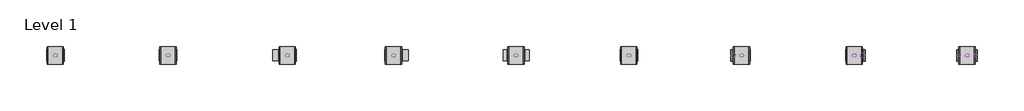
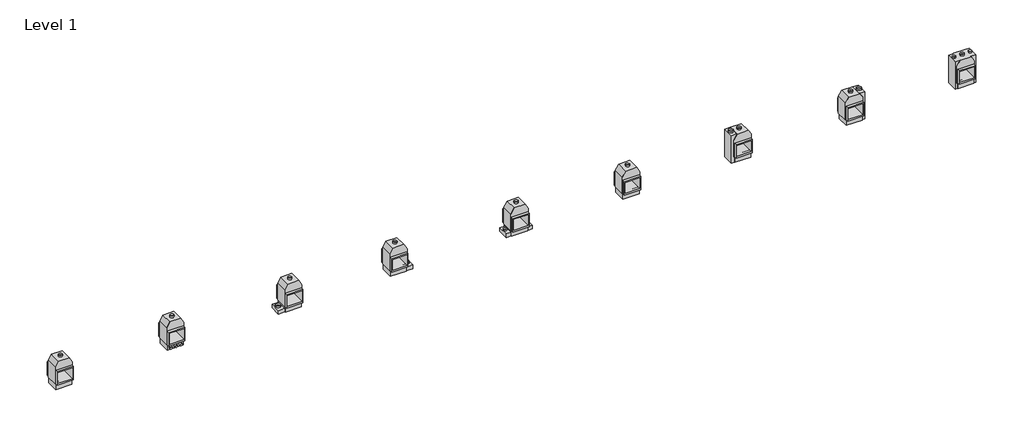
# One storey: 34 proxies.
"""IFC4 building model written with IfcOpenShell, lengths in millimetres."""

import ifcopenshell
import ifcopenshell.guid

model = None  # the IFC model being written
_history = None  # IfcOwnerHistory: only IFC2X3 demands one
_inside = {}  # id of a spatial element -> (the spatial element, [elements in it])
_under = {}  # id of a project, library or spatial element -> (it, [spatial elements below it])
_declared = {}  # id of a project -> (the project, [libraries it declares])
_typed = {}  # id of a type object -> (the type object, [elements of that type])
_made_of = {}  # id of a material, layer set ... -> (it, [elements and type objects made of it])


def new_model(schema):
    """Start an empty IFC model of exactly this schema.

    Asked for "IFC4X3", IfcOpenShell would pick the latest addendum, in which some entities
    have other attributes; the version numbers below select the first issue.
    IFC2X3 requires an IfcOwnerHistory on every rooted entity: one is made here for all.
    """
    global model, _history
    if schema == "IFC4X3":
        model = ifcopenshell.file(schema_version=(4, 3, 0, 0))
    else:
        model = ifcopenshell.file(schema=schema)
    _inside.clear()
    _under.clear()
    _declared.clear()
    _typed.clear()
    _made_of.clear()
    _history = None
    if model.schema == "IFC2X3":
        org = make("IfcOrganization", Name="unknown")
        user = make(
            "IfcPersonAndOrganization",
            ThePerson=make("IfcPerson", FamilyName="unknown"),
            TheOrganization=org,
        )
        app = make(
            "IfcApplication",
            ApplicationDeveloper=org,
            Version="unknown",
            ApplicationFullName="unknown",
            ApplicationIdentifier="unknown",
        )
        _history = make(
            "IfcOwnerHistory",
            OwningUser=user,
            OwningApplication=app,
            ChangeAction="ADDED",
            CreationDate=0,
        )
    return model


def make(cls, **values):
    """One entity of the class cls with the attributes given. An attribute that is None is left unset."""
    return model.create_entity(
        cls, **{name: value for name, value in values.items() if value is not None}
    )


def rooted(cls, **values):
    """An entity with a GlobalId (a new one), such as an element, a storey or a relation."""
    return make(cls, GlobalId=ifcopenshell.guid.new(), OwnerHistory=_history, **values)


def si_unit(unit_type, name, prefix=None):
    """IfcSIUnit, for example si_unit("LENGTHUNIT", "METRE", prefix="MILLI")."""
    return make("IfcSIUnit", UnitType=unit_type, Prefix=prefix, Name=name)


def assignment(units):
    """IfcUnitAssignment: the units of a project."""
    return None if units is None else make("IfcUnitAssignment", Units=units)


def point(xyz):
    """IfcCartesianPoint."""
    return None if xyz is None else make("IfcCartesianPoint", Coordinates=xyz)


def direction(xyz):
    """IfcDirection."""
    return None if xyz is None else make("IfcDirection", DirectionRatios=xyz)


def frame(location, z_axis=None, x_axis=None):
    """IfcAxis2Placement3D, a coordinate frame: its origin and axes. An axis left out is left unset."""
    return make(
        "IfcAxis2Placement3D",
        Location=point(location),
        Axis=direction(z_axis),
        RefDirection=direction(x_axis),
    )


def frame_2d(location, x_axis=None):
    """IfcAxis2Placement2D, a coordinate frame in the plane: its origin and x axis."""
    return make(
        "IfcAxis2Placement2D", Location=point(location), RefDirection=direction(x_axis)
    )


def origin():
    """The frame at (0, 0, 0) with its axes left unset."""
    return frame((0.0, 0.0, 0.0))


def origin_with_axes():
    """The frame at (0, 0, 0) with the z axis (0, 0, 1) and the x axis (1, 0, 0) written out."""
    return frame((0.0, 0.0, 0.0), z_axis=(0.0, 0.0, 1.0), x_axis=(1.0, 0.0, 0.0))


def origin_2d():
    """The frame at (0, 0) in the plane with its x axis left unset."""
    return frame_2d((0.0, 0.0))


def place(relative_to, where):
    """IfcLocalPlacement: puts the frame where relative to a parent placement (None: the world)."""
    return make(
        "IfcLocalPlacement", PlacementRelTo=relative_to, RelativePlacement=where
    )


def context(
    kind, dimensions, precision=None, world=None, true_north=None, identifier=None
):
    """IfcGeometricRepresentationContext, for example the 3D "Model" context."""
    return make(
        "IfcGeometricRepresentationContext",
        ContextIdentifier=identifier,
        ContextType=kind,
        CoordinateSpaceDimension=dimensions,
        Precision=precision,
        WorldCoordinateSystem=world,
        TrueNorth=true_north,
    )


def project(units=None, contexts=None):
    """IfcProject with its units and contexts."""
    return rooted(
        "IfcProject",
        Name="project",
        RepresentationContexts=contexts,
        UnitsInContext=assignment(units),
    )


def spatial(cls, under=None, at=None, **own):
    """A site, building, storey or space (cls), placed at a placement, below another one or the project."""
    s = rooted(cls, ObjectPlacement=at, **own)
    if under is not None:
        _under.setdefault(under.id(), (under, []))[1].append(s)
    return s


def polyline(points):
    """IfcPolyline through the points."""
    return make("IfcPolyline", Points=[point(p) for p in points])


def circle_curve(where, radius):
    """IfcCircle in the frame where."""
    return make("IfcCircle", Position=where, Radius=radius)


def trimmed(basis, trim1, trim2, sense, master):
    """IfcTrimmedCurve: the piece of a basis curve between two trims."""
    return make(
        "IfcTrimmedCurve",
        BasisCurve=basis,
        Trim1=trim1,
        Trim2=trim2,
        SenseAgreement=sense,
        MasterRepresentation=master,
    )


def segment(curve, same_sense, transition):
    """IfcCompositeCurveSegment."""
    return make(
        "IfcCompositeCurveSegment",
        Transition=transition,
        SameSense=same_sense,
        ParentCurve=curve,
    )


def composite_curve(segments, self_intersect=None):
    """IfcCompositeCurve: segments joined end to end."""
    return make("IfcCompositeCurve", Segments=segments, SelfIntersect=self_intersect)


def outline(outer, holes=None, kind="AREA"):
    """IfcArbitraryClosedProfileDef: a profile drawn as a closed curve; with holes, ...WithVoids."""
    if holes is None:
        return make("IfcArbitraryClosedProfileDef", ProfileType=kind, OuterCurve=outer)
    return make(
        "IfcArbitraryProfileDefWithVoids",
        ProfileType=kind,
        OuterCurve=outer,
        InnerCurves=holes,
    )


def extrude(swept, where, along, depth):
    """IfcExtrudedAreaSolid: the profile swept, set in the frame where, extruded along a direction by depth."""
    return make(
        "IfcExtrudedAreaSolid",
        SweptArea=swept,
        Position=where,
        ExtrudedDirection=direction(along),
        Depth=depth,
    )


def faces_of(points, faces, orient=None, outer=None):
    """IfcFace entities. A face is a list of loops; a loop is a list of indices into points, from 0.

    orient and outer hold one flag for each loop. By default every Orientation is true, the
    first loop of a face is its IfcFaceOuterBound and the others are IfcFaceBound.
    """
    made = []
    for i, loops in enumerate(faces):
        bounds = []
        for j, loop in enumerate(loops):
            is_outer = j == 0 if outer is None else outer[i][j]
            bounds.append(
                make(
                    "IfcFaceOuterBound" if is_outer else "IfcFaceBound",
                    Bound=make("IfcPolyLoop", Polygon=[points[k] for k in loop]),
                    Orientation=True if orient is None else orient[i][j],
                )
            )
        made.append(make("IfcFace", Bounds=bounds))
    return made


def faceted_brep(points, faces, orient=None, outer=None, voids=None):
    """IfcFacetedBrep: a solid bounded by flat faces; with voids (closed shells), ...WithVoids."""
    shared = [point(p) for p in points]
    hull = make("IfcClosedShell", CfsFaces=faces_of(shared, faces, orient, outer))
    if voids is None:
        return make("IfcFacetedBrep", Outer=hull)
    return make(
        "IfcFacetedBrepWithVoids",
        Outer=hull,
        Voids=[
            make(cls, CfsFaces=faces_of(shared, fs, o, b)) for cls, fs, o, b in voids
        ],
    )


def shape(context_of_items, identifier, shape_type, items):
    """IfcShapeRepresentation: the items that make up one representation, for example the "Body"."""
    return make(
        "IfcShapeRepresentation",
        ContextOfItems=context_of_items,
        RepresentationIdentifier=identifier,
        RepresentationType=shape_type,
        Items=items,
    )


def source(mapping_origin, context_of_items, identifier, shape_type, items):
    """IfcRepresentationMap: a shape defined once, which mapped items show again and again."""
    return make(
        "IfcRepresentationMap",
        MappingOrigin=mapping_origin,
        MappedRepresentation=shape(context_of_items, identifier, shape_type, items),
    )


def transform(
    local_origin,
    x_axis=None,
    y_axis=None,
    z_axis=None,
    scale=None,
    scale2=None,
    scale3=None,
    uniform=True,
):
    """IfcCartesianTransformationOperator3D, or its non-uniform kind. x_axis, y_axis, z_axis: its Axis1, 2, 3."""
    if uniform:
        return make(
            "IfcCartesianTransformationOperator3D",
            Axis1=direction(x_axis),
            Axis2=direction(y_axis),
            LocalOrigin=point(local_origin),
            Scale=scale,
            Axis3=direction(z_axis),
        )
    return make(
        "IfcCartesianTransformationOperator3DnonUniform",
        Axis1=direction(x_axis),
        Axis2=direction(y_axis),
        LocalOrigin=point(local_origin),
        Scale=scale,
        Axis3=direction(z_axis),
        Scale2=scale2,
        Scale3=scale3,
    )


def mapped(mapping_source, mapping_target):
    """IfcMappedItem: shows the shape of a source again, moved by a transform."""
    return make(
        "IfcMappedItem", MappingSource=mapping_source, MappingTarget=mapping_target
    )


def made_of(thing, what):
    """Note that an element or type object is made of a material, layer set ...; save() writes the relation."""
    if what is not None:
        _made_of.setdefault(what.id(), (what, []))[1].append(thing)
    return thing


def element(
    cls,
    number,
    at=None,
    inside=None,
    cuts=None,
    type_object=None,
    material=None,
    context=None,
    identifier="Body",
    shape_type=None,
    held_by="IfcProductDefinitionShape",
    body=None,
    shapes=None,
    **own,
):
    """One element of the class cls, such as IfcWall. Its Tag is "e" and its number.

    at: its placement. inside: the storey or other place that contains it. cuts: it is an
    opening in that element (IfcRelVoidsElement). A single representation is given by context,
    identifier, shape_type and body (its items); several are given by shapes. held_by: the class
    of the entity that holds the representations. save() writes the other relations.
    """
    e = rooted(cls, Tag="e%d" % number, ObjectPlacement=at, **own)
    if body is not None:
        shapes = [shape(context, identifier, shape_type, body)]
    if shapes is not None:
        e.Representation = make(held_by, Representations=shapes)
    if inside is not None:
        _inside.setdefault(inside.id(), (inside, []))[1].append(e)
    if cuts is not None:
        rooted(
            "IfcRelVoidsElement", RelatingBuildingElement=cuts, RelatedOpeningElement=e
        )
    if type_object is not None:
        _typed.setdefault(type_object.id(), (type_object, []))[1].append(e)
    return made_of(e, material)


def aggregate(whole, parts):
    """IfcRelAggregates: a whole, such as a stair, and the parts it consists of."""
    return rooted("IfcRelAggregates", RelatingObject=whole, RelatedObjects=parts)


def save(model, path):
    """Write the relations noted so far, then the file.

    IfcRelAggregates (storeys below a building ...), IfcRelContainedInSpatialStructure (elements
    in a storey), IfcRelDefinesByType, IfcRelAssociatesMaterial and IfcRelDeclares: one each for
    every whole, place, type object, material and project.
    """
    for whole, parts in _under.values():
        aggregate(whole, parts)
    for where, things in _inside.values():
        rooted(
            "IfcRelContainedInSpatialStructure",
            RelatedElements=things,
            RelatingStructure=where,
        )
    for kind, things in _typed.values():
        rooted("IfcRelDefinesByType", RelatedObjects=things, RelatingType=kind)
    for what, things in _made_of.values():
        rooted("IfcRelAssociatesMaterial", RelatedObjects=things, RelatingMaterial=what)
    for by, libraries in _declared.values():
        rooted("IfcRelDeclares", RelatingContext=by, RelatedDefinitions=libraries)
    model.write(path)


def as_specified_d0a9b8ac(model_context):
    return source(origin(), model_context, "Body", "SweptSolid", [
        extrude(outline(polyline([(508.0, 363.8351562), (508.0, -531.5148438), (-508.0, -531.5148438), (-508.0, 363.8351562), (508.0, 363.8351562)]), holes=[polyline([(-457.2, 287.6748437), (-457.2, -423.5251563), (457.2, -423.5251563), (457.2, 287.6748437), (-457.2, 287.6748437)])]), frame((0.0, 0.0, -952.5), z_axis=(0.0, 0.0, 1.0), x_axis=(1.0, 0.0, 0.0)), (0.0, 0.0, 1.0), 1092.2),
        extrude(outline(polyline([(508.0, -912.5148438), (-508.0, -912.5148438), (-508.0, -531.5148438), (-546.1, -531.5148438), (-546.1, 567.0748437), (-346.660123, 912.5148437), (346.660123, 912.5148437), (546.1, 567.0748437), (546.1, -531.5148438), (508.0, -531.5148438), (508.0, -912.5148438)]), holes=[polyline([(457.2, -423.5251563), (457.2, 287.6748437), (-457.2, 287.6748437), (-457.2, -423.5251563), (457.2, -423.5251563)])]), frame((0.0, 0.0, -787.4), z_axis=(0.0, 0.0, 1.0), x_axis=(1.0, 0.0, 0.0)), (0.0, 0.0, 1.0), 762.0),
    ])


def as_specified_42254c36(model_context):
    return source(origin(), model_context, "Body", "SweptSolid", [
        extrude(outline(polyline([(508.0, -912.5148438), (508.0, -671.2148438), (812.8, -671.2148438), (812.8, -912.5148438), (508.0, -912.5148438)])), frame((0.0, 0.0, -749.3), z_axis=(0.0, 0.0, 1.0), x_axis=(1.0, 0.0, 0.0)), (0.0, 0.0, 1.0), 685.8),
        extrude(outline(polyline([(-508.0, -912.5148438), (-812.8, -912.5148438), (-812.8, -671.2148438), (-508.0, -671.2148438), (-508.0, -912.5148438)])), frame((0.0, 0.0, -749.3), z_axis=(0.0, 0.0, 1.0), x_axis=(1.0, 0.0, 0.0)), (0.0, 0.0, 1.0), 685.8),
        extrude(outline(polyline([(508.0, 363.8351562), (508.0, -531.5148438), (-508.0, -531.5148438), (-508.0, 363.8351562), (508.0, 363.8351562)]), holes=[polyline([(-457.2, 287.6748437), (-457.2, -423.5251563), (457.2, -423.5251563), (457.2, 287.6748437), (-457.2, 287.6748437)])]), frame((0.0, 0.0, -952.5), z_axis=(0.0, 0.0, 1.0), x_axis=(1.0, 0.0, 0.0)), (0.0, 0.0, 1.0), 1092.2),
        extrude(outline(polyline([(508.0, -912.5148438), (-508.0, -912.5148438), (-508.0, -531.5148438), (-546.1, -531.5148438), (-546.1, 567.0748437), (-346.660123, 912.5148437), (346.660123, 912.5148437), (546.1, 567.0748437), (546.1, -531.5148438), (508.0, -531.5148438), (508.0, -912.5148438)]), holes=[polyline([(457.2, -423.5251563), (457.2, 287.6748437), (-457.2, 287.6748437), (-457.2, -423.5251563), (457.2, -423.5251563)])]), frame((0.0, 0.0, -787.4), z_axis=(0.0, 0.0, 1.0), x_axis=(1.0, 0.0, 0.0)), (0.0, 0.0, 1.0), 762.0),
    ])


def as_specified_ec86cf5d(model_context):
    return source(origin(), model_context, "Body", "SweptSolid", [
        extrude(outline(polyline([(-508.0, -912.5148438), (-914.4, -912.5148438), (-914.4, -671.2148438), (-508.0, -671.2148438), (-508.0, -912.5148438)])), frame((0.0, 0.0, -749.3), z_axis=(0.0, 0.0, 1.0), x_axis=(1.0, 0.0, 0.0)), (0.0, 0.0, 1.0), 685.8),
        extrude(outline(polyline([(508.0, 363.8351562), (508.0, -531.5148438), (-508.0, -531.5148438), (-508.0, 363.8351562), (508.0, 363.8351562)]), holes=[polyline([(-457.2, 287.6748437), (-457.2, -423.5251563), (457.2, -423.5251563), (457.2, 287.6748437), (-457.2, 287.6748437)])]), frame((0.0, 0.0, -952.5), z_axis=(0.0, 0.0, 1.0), x_axis=(1.0, 0.0, 0.0)), (0.0, 0.0, 1.0), 1092.2),
        extrude(outline(polyline([(508.0, -912.5148438), (-508.0, -912.5148438), (-508.0, -531.5148438), (-546.1, -531.5148438), (-546.1, 567.0748437), (-346.660123, 912.5148437), (346.660123, 912.5148437), (546.1, 567.0748437), (546.1, -531.5148438), (508.0, -531.5148438), (508.0, -912.5148438)]), holes=[polyline([(457.2, -423.5251563), (457.2, 287.6748437), (-457.2, 287.6748437), (-457.2, -423.5251563), (457.2, -423.5251563)])]), frame((0.0, 0.0, -787.4), z_axis=(0.0, 0.0, 1.0), x_axis=(1.0, 0.0, 0.0)), (0.0, 0.0, 1.0), 762.0),
    ])


def as_specified_ad9f3fe5(model_context):
    return source(origin(), model_context, "Body", "SweptSolid", [
        extrude(outline(polyline([(508.0, -912.5148438), (508.0, -671.2148438), (914.4, -671.2148438), (914.4, -912.5148438), (508.0, -912.5148438)])), frame((0.0, 0.0, -749.3), z_axis=(0.0, 0.0, 1.0), x_axis=(1.0, 0.0, 0.0)), (0.0, 0.0, 1.0), 685.8),
        extrude(outline(polyline([(508.0, 363.8351562), (508.0, -531.5148438), (-508.0, -531.5148438), (-508.0, 363.8351562), (508.0, 363.8351562)]), holes=[polyline([(-457.2, 287.6748437), (-457.2, -423.5251563), (457.2, -423.5251563), (457.2, 287.6748437), (-457.2, 287.6748437)])]), frame((0.0, 0.0, -952.5), z_axis=(0.0, 0.0, 1.0), x_axis=(1.0, 0.0, 0.0)), (0.0, 0.0, 1.0), 1092.2),
        extrude(outline(polyline([(508.0, -912.5148438), (-508.0, -912.5148438), (-508.0, -531.5148438), (-546.1, -531.5148438), (-546.1, 567.0748437), (-346.660123, 912.5148437), (346.660123, 912.5148437), (546.1, 567.0748437), (546.1, -531.5148438), (508.0, -531.5148438), (508.0, -912.5148438)]), holes=[polyline([(457.2, -423.5251563), (457.2, 287.6748437), (-457.2, 287.6748437), (-457.2, -423.5251563), (457.2, -423.5251563)])]), frame((0.0, 0.0, -787.4), z_axis=(0.0, 0.0, 1.0), x_axis=(1.0, 0.0, 0.0)), (0.0, 0.0, 1.0), 762.0),
    ])


def as_specified_c183d133(model_context):
    return source(origin(), model_context, "Body", "SolidModel", [
        extrude(outline(polyline([(508.0, 363.8351562), (508.0, -531.5148438), (-508.0, -531.5148438), (-508.0, 363.8351562), (508.0, 363.8351562)]), holes=[polyline([(-457.2, 287.6748437), (-457.2, -423.5251563), (457.2, -423.5251563), (457.2, 287.6748437), (-457.2, 287.6748437)])]), frame((0.0, 0.0, -952.5), z_axis=(0.0, 0.0, 1.0), x_axis=(1.0, 0.0, 0.0)), (0.0, 0.0, 1.0), 1092.2),
        faceted_brep([(508.0, -912.5148438, -787.4), (-508.0, -912.5148438, -787.4), (-508.0, -531.5148438, -787.4), (-546.1, -531.5148438, -787.4), (-546.1, 567.0748437, -787.4), (-346.660123, 912.5148437, -787.4), (346.660123, 912.5148437, -787.4), (546.1, 567.0748437, -787.4), (546.1, -531.5148438, -787.4), (508.0, -531.5148438, -787.4), (457.2, -423.5251563, -787.4), (457.2, 287.6748437, -787.4), (-457.2, 287.6748437, -787.4), (-457.2, -423.5251563, -787.4), (508.0, -912.5148438, -25.4), (508.0, -531.5148438, -25.4), (546.1, -531.5148438, -25.4), (546.1, 567.0748437, -25.4), (346.660123, 912.5148437, -25.4), (-346.660123, 912.5148437, -25.4), (-546.1, 567.0748437, -25.4), (-546.1, -531.5148438, -25.4), (-508.0, -531.5148438, -25.4), (-508.0, -912.5148438, -25.4), (457.2, 287.6748437, -25.4), (457.2, -423.5251563, -25.4), (-457.2, -423.5251563, -25.4), (-457.2, 287.6748437, -25.4), (-346.660123, 912.5148437, -762.0), (-647.7, 912.5148437, -762.0), (-647.7, 912.5148437, -50.8), (-346.660123, 912.5148437, -50.8), (346.660123, 912.5148437, -50.8), (647.7, 912.5148437, -50.8), (647.7, 912.5148437, -762.0), (346.660123, 912.5148437, -762.0), (-546.1, -531.5148438, -762.0), (-546.1, 567.0748437, -762.0), (-546.1, 567.0748437, -50.8), (-546.1, -531.5148438, -50.8), (-508.0, -531.5148438, -762.0), (546.1, -531.5148438, -762.0), (508.0, -531.5148438, -762.0), (508.0, -531.5148438, -50.8), (546.1, -531.5148438, -50.8), (-508.0, -531.5148438, -50.8), (546.1, 567.0748437, -762.0), (546.1, 567.0748437, -50.8), (508.0, -912.5148438, -762.0), (508.0, -912.5148438, -50.8), (-508.0, -912.5148438, -762.0), (-508.0, -912.5148438, -50.8), (647.7, -912.5148438, -762.0), (647.7, -912.5148438, -50.8), (-647.7, -912.5148438, -50.8), (-647.7, -912.5148438, -762.0)], [[[0, 1, 2, 3, 4, 5, 6, 7, 8, 9], [10, 11, 12, 13]], [[14, 15, 16, 17, 18, 19, 20, 21, 22, 23], [24, 25, 26, 27]], [[6, 5, 28, 29, 30, 31, 19, 18, 32, 33, 34, 35]], [[4, 3, 36, 37]], [[21, 20, 38, 39]], [[3, 2, 40, 36]], [[9, 8, 41, 42]], [[16, 15, 43, 44]], [[22, 21, 39, 45]], [[8, 7, 46, 41]], [[17, 16, 44, 47]], [[0, 9, 42, 48]], [[15, 14, 49, 43]], [[2, 1, 50, 40]], [[23, 22, 45, 51]], [[1, 0, 48, 52, 53, 49, 14, 23, 51, 54, 55, 50]], [[5, 4, 37, 28]], [[20, 19, 31, 38]], [[7, 6, 35, 46]], [[18, 17, 47, 32]], [[24, 11, 10, 25]], [[25, 10, 13, 26]], [[26, 13, 12, 27]], [[11, 24, 27, 12]], [[50, 55, 29, 28, 37, 36, 40]], [[31, 30, 54, 51, 45, 39, 38]], [[29, 55, 54, 30]], [[35, 34, 52, 48, 42, 41, 46]], [[49, 53, 33, 32, 47, 44, 43]], [[52, 34, 33, 53]]]),
    ])


def as_specified_4c22a6a2(model_context):
    return source(origin(), model_context, "Body", "SweptSolid", [
        extrude(outline(polyline([(-508.0, -912.5148438), (-685.8, -912.5148438), (-685.8, 912.5148437), (-346.660123, 912.5148437), (-546.1, 567.0748437), (-546.1, -531.5148438), (-508.0, -531.5148438), (-508.0, -912.5148438)])), frame((0.0, 0.0, -762.0), z_axis=(0.0, 0.0, 1.0), x_axis=(1.0, 0.0, 0.0)), (0.0, 0.0, 1.0), 711.2),
        extrude(outline(polyline([(508.0, 363.8351562), (508.0, -531.5148438), (-508.0, -531.5148438), (-508.0, 363.8351562), (508.0, 363.8351562)]), holes=[polyline([(-457.2, 287.6748437), (-457.2, -423.5251563), (457.2, -423.5251563), (457.2, 287.6748437), (-457.2, 287.6748437)])]), frame((0.0, 0.0, -952.5), z_axis=(0.0, 0.0, 1.0), x_axis=(1.0, 0.0, 0.0)), (0.0, 0.0, 1.0), 1092.2),
        extrude(outline(polyline([(508.0, -912.5148438), (-508.0, -912.5148438), (-508.0, -531.5148438), (-546.1, -531.5148438), (-546.1, 567.0748437), (-346.660123, 912.5148437), (346.660123, 912.5148437), (546.1, 608.0233299), (546.1, -531.5148438), (508.0, -531.5148438), (508.0, -912.5148438)]), holes=[polyline([(457.2, -423.5251563), (457.2, 287.6748437), (-457.2, 287.6748437), (-457.2, -423.5251563), (457.2, -423.5251563)])]), frame((0.0, 0.0, -787.4), z_axis=(0.0, 0.0, 1.0), x_axis=(1.0, 0.0, 0.0)), (0.0, 0.0, 1.0), 762.0),
    ])


def as_specified_51c16883(model_context):
    return source(origin(), model_context, "Body", "SweptSolid", [
        extrude(outline(polyline([(508.0, -912.5148438), (508.0, -531.5148438), (546.1, -531.5148438), (546.1, 608.0233299), (346.660123, 912.5148437), (685.8, 912.5148437), (685.8, -912.5148438), (508.0, -912.5148438)])), frame((0.0, 0.0, -762.0), z_axis=(0.0, 0.0, 1.0), x_axis=(1.0, 0.0, 0.0)), (0.0, 0.0, 1.0), 711.2),
        extrude(outline(polyline([(508.0, 363.8351562), (508.0, -531.5148438), (-508.0, -531.5148438), (-508.0, 363.8351562), (508.0, 363.8351562)]), holes=[polyline([(-457.2, 287.6748437), (-457.2, -423.5251563), (457.2, -423.5251563), (457.2, 287.6748437), (-457.2, 287.6748437)])]), frame((0.0, 0.0, -952.5), z_axis=(0.0, 0.0, 1.0), x_axis=(1.0, 0.0, 0.0)), (0.0, 0.0, 1.0), 1092.2),
        extrude(outline(polyline([(508.0, -912.5148438), (-508.0, -912.5148438), (-508.0, -531.5148438), (-546.1, -531.5148438), (-546.1, 567.0748437), (-346.660123, 912.5148437), (346.660123, 912.5148437), (546.1, 608.0233299), (546.1, -531.5148438), (508.0, -531.5148438), (508.0, -912.5148438)]), holes=[polyline([(457.2, -423.5251563), (457.2, 287.6748437), (-457.2, 287.6748437), (-457.2, -423.5251563), (457.2, -423.5251563)])]), frame((0.0, 0.0, -787.4), z_axis=(0.0, 0.0, 1.0), x_axis=(1.0, 0.0, 0.0)), (0.0, 0.0, 1.0), 762.0),
    ])


def proxy_814ff0a6(model_context):
    return source(origin(), model_context, "Body", "SweptSolid", [
        extrude(outline(composite_curve([segment(trimmed(circle_curve(origin_2d(), 149.225), [point((-149.225, 0.0))], [point((149.225, 0.0))], False, "CARTESIAN"), True, "CONTINUOUS"), segment(trimmed(circle_curve(origin_2d(), 149.225), [point((149.225, 0.0))], [point((-149.225, 0.0))], False, "CARTESIAN"), True, "CONTINUOUS")], self_intersect=False), holes=[composite_curve([segment(trimmed(circle_curve(origin_2d(), 147.6375), [point((-147.6375, 0.0))], [point((147.6375, 0.0))], True, "CARTESIAN"), True, "CONTINUOUS"), segment(trimmed(circle_curve(origin_2d(), 147.6375), [point((147.6375, 0.0))], [point((-147.6375, 0.0))], True, "CARTESIAN"), True, "CONTINUOUS")], self_intersect=False)]), origin_with_axes(), (0.0, 0.0, 1.0), 101.6),
    ])


def proxy_925fb795(model_context):
    return source(origin(), model_context, "Body", "SweptSolid", [
        extrude(outline(composite_curve([segment(trimmed(circle_curve(origin_2d(), 150.8125), [point((-150.8125, 0.0))], [point((150.8125, 0.0))], False, "CARTESIAN"), True, "CONTINUOUS"), segment(trimmed(circle_curve(origin_2d(), 150.8125), [point((150.8125, 0.0))], [point((-150.8125, 0.0))], False, "CARTESIAN"), True, "CONTINUOUS")], self_intersect=False), holes=[composite_curve([segment(trimmed(circle_curve(origin_2d(), 149.225), [point((-149.225, 0.0))], [point((149.225, 0.0))], True, "CARTESIAN"), True, "CONTINUOUS"), segment(trimmed(circle_curve(origin_2d(), 149.225), [point((149.225, 0.0))], [point((-149.225, 0.0))], True, "CARTESIAN"), True, "CONTINUOUS")], self_intersect=False)]), origin_with_axes(), (0.0, 0.0, 1.0), 101.6),
    ])


def proxy_180c3a72(model_context):
    return source(origin(), model_context, "Body", "SweptSolid", [
        extrude(outline(composite_curve([segment(trimmed(circle_curve(origin_2d(), 87.3125), [point((-87.3125, 0.0))], [point((87.3125, 0.0))], False, "CARTESIAN"), True, "CONTINUOUS"), segment(trimmed(circle_curve(origin_2d(), 87.3125), [point((87.3125, 0.0))], [point((-87.3125, 0.0))], False, "CARTESIAN"), True, "CONTINUOUS")], self_intersect=False), holes=[composite_curve([segment(trimmed(circle_curve(origin_2d(), 85.725), [point((-85.725, 0.0))], [point((85.725, 0.0))], True, "CARTESIAN"), True, "CONTINUOUS"), segment(trimmed(circle_curve(origin_2d(), 85.725), [point((85.725, 0.0))], [point((-85.725, 0.0))], True, "CARTESIAN"), True, "CONTINUOUS")], self_intersect=False)]), origin_with_axes(), (0.0, 0.0, 1.0), 101.6),
    ])


def proxy_5643af6b(model_context):
    return source(origin(), model_context, "Body", "SweptSolid", [
        extrude(outline(composite_curve([segment(trimmed(circle_curve(origin_2d(), 100.0125), [point((-100.0125, 0.0))], [point((100.0125, 0.0))], False, "CARTESIAN"), True, "CONTINUOUS"), segment(trimmed(circle_curve(origin_2d(), 100.0125), [point((100.0125, 0.0))], [point((-100.0125, 0.0))], False, "CARTESIAN"), True, "CONTINUOUS")], self_intersect=False), holes=[composite_curve([segment(trimmed(circle_curve(origin_2d(), 98.425), [point((-98.425, 0.0))], [point((98.425, 0.0))], True, "CARTESIAN"), True, "CONTINUOUS"), segment(trimmed(circle_curve(origin_2d(), 98.425), [point((98.425, 0.0))], [point((-98.425, 0.0))], True, "CARTESIAN"), True, "CONTINUOUS")], self_intersect=False)]), origin_with_axes(), (0.0, 0.0, 1.0), 101.6),
    ])


def proxy_cedb3807(model_context):
    return source(origin(), model_context, "Body", "SweptSolid", [
        extrude(outline(composite_curve([segment(trimmed(circle_curve(origin_2d(), 101.6), [point((-101.6, 0.0))], [point((101.6, 0.0))], False, "CARTESIAN"), True, "CONTINUOUS"), segment(trimmed(circle_curve(origin_2d(), 101.6), [point((101.6, 0.0))], [point((-101.6, 0.0))], False, "CARTESIAN"), True, "CONTINUOUS")], self_intersect=False), holes=[composite_curve([segment(trimmed(circle_curve(origin_2d(), 100.0125), [point((-100.0125, 0.0))], [point((100.0125, 0.0))], True, "CARTESIAN"), True, "CONTINUOUS"), segment(trimmed(circle_curve(origin_2d(), 100.0125), [point((100.0125, 0.0))], [point((-100.0125, 0.0))], True, "CARTESIAN"), True, "CONTINUOUS")], self_intersect=False)]), origin_with_axes(), (0.0, 0.0, 1.0), 25.4),
    ])


def proxy_0afa765f(model_context):
    return source(origin(), model_context, "Body", "SweptSolid", [
        extrude(outline(composite_curve([segment(trimmed(circle_curve(origin_2d(), 123.825), [point((-123.825, 0.0))], [point((123.825, 0.0))], False, "CARTESIAN"), True, "CONTINUOUS"), segment(trimmed(circle_curve(origin_2d(), 123.825), [point((123.825, 0.0))], [point((-123.825, 0.0))], False, "CARTESIAN"), True, "CONTINUOUS")], self_intersect=False), holes=[composite_curve([segment(trimmed(circle_curve(origin_2d(), 122.2375), [point((-122.2375, 0.0))], [point((122.2375, 0.0))], True, "CARTESIAN"), True, "CONTINUOUS"), segment(trimmed(circle_curve(origin_2d(), 122.2375), [point((122.2375, 0.0))], [point((-122.2375, 0.0))], True, "CARTESIAN"), True, "CONTINUOUS")], self_intersect=False)]), origin_with_axes(), (0.0, 0.0, 1.0), 101.6),
    ])


model = new_model("IFC4")

# Units and contexts
model_context = context("Model", 3, world=origin())
ifc_project = project(units=[si_unit("LENGTHUNIT", "METRE", prefix="MILLI")], contexts=[model_context])

# Site, building, storey
site = spatial("IfcSite", under=ifc_project)
building = spatial("IfcBuilding", under=site)
storey = spatial("IfcBuildingStorey", under=building, Name="Level 1", Elevation=0.0)

# Proxies
placement = place(None, origin())
as_specified_shape = as_specified_d0a9b8ac(model_context)
element("IfcBuildingElementProxy", 1, Name="As Specified", ObjectType="As Specified", at=placement, inside=storey, context=model_context, shape_type="MappedRepresentation", body=[
    mapped(as_specified_shape, transform((-13859.9425598, 1616.7712992, 1066.8), x_axis=(1.0, 0.0, 0.0), y_axis=(0.0, 0.0, 1.0), z_axis=(0.0, -1.0, 0.0))),
])
element("IfcBuildingElementProxy", 2, Name="As Specified", ObjectType="As Specified", at=placement, inside=storey, context=model_context, shape_type="MappedRepresentation", body=[
    mapped(as_specified_shape, transform((-6849.5425598, 1616.7712992, 1219.2), x_axis=(1.0, 0.0, 0.0), y_axis=(0.0, 0.0, 1.0), z_axis=(0.0, -1.0, 0.0))),
])
as_specified_2_shape = as_specified_42254c36(model_context)
element("IfcBuildingElementProxy", 3, Name="As Specified", ObjectType="As Specified", at=placement, inside=storey, context=model_context, shape_type="MappedRepresentation", body=[
    mapped(as_specified_2_shape, transform((14791.2574402, 1616.7712992, 1219.2), x_axis=(1.0, 0.0, 0.0), y_axis=(0.0, 0.0, 1.0), z_axis=(0.0, -1.0, 0.0))),
])
as_specified_3_shape = as_specified_ec86cf5d(model_context)
element("IfcBuildingElementProxy", 4, Name="As Specified", ObjectType="As Specified", at=placement, inside=storey, context=model_context, shape_type="MappedRepresentation", body=[
    mapped(as_specified_3_shape, transform((565.6597121, 1616.7712992, 1144.6311604), x_axis=(1.0, 0.0, 0.0), y_axis=(0.0, 0.0, 1.0), z_axis=(0.0, -1.0, 0.0))),
])
as_specified_4_shape = as_specified_ad9f3fe5(model_context)
element("IfcBuildingElementProxy", 5, Name="As Specified", ObjectType="As Specified", at=placement, inside=storey, context=model_context, shape_type="MappedRepresentation", body=[
    mapped(as_specified_4_shape, transform((7171.2574402, 1616.7712992, 1219.2), x_axis=(1.0, 0.0, 0.0), y_axis=(0.0, 0.0, 1.0), z_axis=(0.0, -1.0, 0.0))),
])
element("IfcBuildingElementProxy", 6, Name="As Specified", ObjectType="As Specified", at=placement, inside=storey, context=model_context, shape_type="MappedRepresentation", body=[
    mapped(as_specified_shape, transform((21801.6574402, 1616.7712992, 1219.2), x_axis=(1.0, 0.0, 0.0), y_axis=(0.0, 0.0, 1.0), z_axis=(0.0, -1.0, 0.0))),
])
as_specified_5_shape = as_specified_c183d133(model_context)
element("IfcBuildingElementProxy", 7, Name="As Specified", ObjectType="As Specified", at=placement, inside=storey, context=model_context, shape_type="MappedRepresentation", body=[
    mapped(as_specified_5_shape, transform((42832.8574402, 1616.7712992, 1219.2), x_axis=(1.0, 0.0, 0.0), y_axis=(0.0, 0.0, 1.0), z_axis=(0.0, -1.0, 0.0))),
])
as_specified_6_shape = as_specified_4c22a6a2(model_context)
element("IfcBuildingElementProxy", 8, Name="As Specified", ObjectType="As Specified", at=placement, inside=storey, context=model_context, shape_type="MappedRepresentation", body=[
    mapped(as_specified_6_shape, transform((28812.0574402, 1616.7712992, 1219.2), x_axis=(1.0, 0.0, 0.0), y_axis=(0.0, 0.0, 1.0), z_axis=(0.0, -1.0, 0.0))),
])
as_specified_7_shape = as_specified_51c16883(model_context)
element("IfcBuildingElementProxy", 9, Name="As Specified", ObjectType="As Specified", at=placement, inside=storey, context=model_context, shape_type="MappedRepresentation", body=[
    mapped(as_specified_7_shape, transform((35822.4574402, 1616.7712992, 1219.2), x_axis=(1.0, 0.0, 0.0), y_axis=(0.0, 0.0, 1.0), z_axis=(0.0, -1.0, 0.0))),
])
proxy_shape = proxy_814ff0a6(model_context)
element("IfcBuildingElementProxy", 10, Name="Duct Dia : 11 3/4\" Dia", ObjectType="Duct Dia : 11 3/4\" Dia", at=placement, inside=storey, context=model_context, shape_type="MappedRepresentation", body=[
    mapped(proxy_shape, transform((-164.5902879, 2023.1712992, 473.4163167), x_axis=(1.0, 0.0, 0.0), y_axis=(0.0, 1.0, 0.0), z_axis=(0.0, 0.0, 1.0))),
])
element("IfcBuildingElementProxy", 11, Name="Duct Dia : 11 3/4\" Dia", ObjectType="Duct Dia : 11 3/4\" Dia", at=placement, inside=storey, context=model_context, shape_type="MappedRepresentation", body=[
    mapped(proxy_shape, transform((7901.5074402, 2023.1712992, 547.9851563), x_axis=(-1.0, 0.0, 0.0), y_axis=(0.0, -1.0, 0.0), z_axis=(0.0, 0.0, 1.0))),
])
proxy_2_shape = proxy_925fb795(model_context)
element("IfcBuildingElementProxy", 12, Name="Duct Dia : 11 7/8\"", ObjectType="Duct Dia : 11 7/8\"", at=placement, inside=storey, context=model_context, shape_type="MappedRepresentation", body=[
    mapped(proxy_2_shape, transform((28291.3574402, 2023.1712992, 2131.7148438), x_axis=(1.0, 0.0, 0.0), y_axis=(0.0, 1.0, 0.0), z_axis=(0.0, 0.0, 1.0))),
])
element("IfcBuildingElementProxy", 13, Name="Duct Dia : 11 7/8\"", ObjectType="Duct Dia : 11 7/8\"", at=placement, inside=storey, context=model_context, shape_type="MappedRepresentation", body=[
    mapped(proxy_2_shape, transform((36343.1574402, 2023.1712992, 2131.7148438), x_axis=(-1.0, 0.0, 0.0), y_axis=(0.0, -1.0, 0.0), z_axis=(0.0, 0.0, 1.0))),
])
proxy_3_shape = proxy_180c3a72(model_context)
element("IfcBuildingElementProxy", 14, Name="Duct Dia : 6 7/8\" Dia", ObjectType="Duct Dia : 6 7/8\" Dia", at=placement, inside=storey, context=model_context, shape_type="MappedRepresentation", body=[
    mapped(proxy_3_shape, transform((21496.8574402, 2404.1712992, 459.0851562), x_axis=(1.0, 0.0, 0.0), y_axis=(0.0, 0.0, -1.0), z_axis=(0.0, 1.0, 0.0))),
])
element("IfcBuildingElementProxy", 15, Name="Duct Dia : 6 7/8\" Dia", ObjectType="Duct Dia : 6 7/8\" Dia", at=placement, inside=storey, context=model_context, shape_type="MappedRepresentation", body=[
    mapped(proxy_3_shape, transform((21801.6574402, 2404.1712992, 459.0851562), x_axis=(1.0, 0.0, 0.0), y_axis=(0.0, 0.0, -1.0), z_axis=(0.0, 1.0, 0.0))),
])
element("IfcBuildingElementProxy", 16, Name="Duct Dia : 6 7/8\" Dia", ObjectType="Duct Dia : 6 7/8\" Dia", at=placement, inside=storey, context=model_context, shape_type="MappedRepresentation", body=[
    mapped(proxy_3_shape, transform((22106.4574402, 2404.1712992, 459.0851562), x_axis=(1.0, 0.0, 0.0), y_axis=(0.0, 0.0, -1.0), z_axis=(0.0, 1.0, 0.0))),
])
element("IfcBuildingElementProxy", 17, Name="Duct Dia : 6 7/8\" Dia", ObjectType="Duct Dia : 6 7/8\" Dia", at=placement, inside=storey, context=model_context, shape_type="MappedRepresentation", body=[
    mapped(proxy_3_shape, transform((-7154.3425598, 1642.1712992, 459.0851562), x_axis=(1.0, 0.0, 0.0), y_axis=(0.0, 0.0, 1.0), z_axis=(0.0, -1.0, 0.0))),
])
element("IfcBuildingElementProxy", 18, Name="Duct Dia : 6 7/8\" Dia", ObjectType="Duct Dia : 6 7/8\" Dia", at=placement, inside=storey, context=model_context, shape_type="MappedRepresentation", body=[
    mapped(proxy_3_shape, transform((-6849.5425598, 1642.1712992, 459.0851562), x_axis=(1.0, 0.0, 0.0), y_axis=(0.0, 0.0, 1.0), z_axis=(0.0, -1.0, 0.0))),
])
element("IfcBuildingElementProxy", 19, Name="Duct Dia : 6 7/8\" Dia", ObjectType="Duct Dia : 6 7/8\" Dia", at=placement, inside=storey, context=model_context, shape_type="MappedRepresentation", body=[
    mapped(proxy_3_shape, transform((-6544.7425598, 1642.1712992, 459.0851562), x_axis=(1.0, 0.0, 0.0), y_axis=(0.0, 0.0, 1.0), z_axis=(0.0, -1.0, 0.0))),
])
proxy_4_shape = proxy_5643af6b(model_context)
element("IfcBuildingElementProxy", 20, Name="Duct Dia : 7 7/8\" Dia", ObjectType="Duct Dia : 7 7/8\" Dia", at=placement, inside=storey, context=model_context, shape_type="MappedRepresentation", body=[
    mapped(proxy_4_shape, transform((14111.8074402, 2023.1712992, 547.9851563), x_axis=(1.0, 0.0, 0.0), y_axis=(0.0, 1.0, 0.0), z_axis=(0.0, 0.0, 1.0))),
])
element("IfcBuildingElementProxy", 21, Name="Duct Dia : 7 7/8\" Dia", ObjectType="Duct Dia : 7 7/8\" Dia", at=placement, inside=storey, context=model_context, shape_type="MappedRepresentation", body=[
    mapped(proxy_4_shape, transform((42324.8574402, 2023.1712992, 2131.7148438), x_axis=(1.0, 0.0, 0.0), y_axis=(0.0, 1.0, 0.0), z_axis=(0.0, 0.0, 1.0))),
])
element("IfcBuildingElementProxy", 22, Name="Duct Dia : 7 7/8\" Dia", ObjectType="Duct Dia : 7 7/8\" Dia", at=placement, inside=storey, context=model_context, shape_type="MappedRepresentation", body=[
    mapped(proxy_4_shape, transform((15470.7074402, 2023.1712992, 547.9851563), x_axis=(-1.0, 0.0, 0.0), y_axis=(0.0, -1.0, 0.0), z_axis=(0.0, 0.0, 1.0))),
])
element("IfcBuildingElementProxy", 23, Name="Duct Dia : 7 7/8\" Dia", ObjectType="Duct Dia : 7 7/8\" Dia", at=placement, inside=storey, context=model_context, shape_type="MappedRepresentation", body=[
    mapped(proxy_4_shape, transform((43340.8574402, 2023.1712992, 2131.7148438), x_axis=(-1.0, 0.0, 0.0), y_axis=(0.0, -1.0, 0.0), z_axis=(0.0, 0.0, 1.0))),
])
proxy_5_shape = proxy_cedb3807(model_context)
element("IfcBuildingElementProxy", 24, Name="Duct Dia : 8\" Dia", ObjectType="Duct Dia : 8\" Dia", at=placement, inside=storey, context=model_context, shape_type="MappedRepresentation", body=[
    mapped(proxy_5_shape, transform((-13605.9425598, 2023.1712992, 154.2851563), x_axis=(-1.0, 0.0, 0.0), y_axis=(0.0, 1.0, 0.0), z_axis=(0.0, 0.0, -1.0))),
])
element("IfcBuildingElementProxy", 25, Name="Duct Dia : 8\" Dia", ObjectType="Duct Dia : 8\" Dia", at=placement, inside=storey, context=model_context, shape_type="MappedRepresentation", body=[
    mapped(proxy_5_shape, transform((-14113.9425598, 2023.1712992, 154.2851563), x_axis=(-1.0, 0.0, 0.0), y_axis=(0.0, 1.0, 0.0), z_axis=(0.0, 0.0, -1.0))),
])
proxy_6_shape = proxy_0afa765f(model_context)
element("IfcBuildingElementProxy", 26, Name="Duct Dia : 9 3/4\" Dia.", ObjectType="Duct Dia : 9 3/4\" Dia.", at=placement, inside=storey, context=model_context, shape_type="MappedRepresentation", body=[
    mapped(proxy_6_shape, transform((-13859.9425598, 2023.1712992, 1979.3148437), x_axis=(1.0, 0.0, 0.0), y_axis=(0.0, 1.0, 0.0), z_axis=(0.0, 0.0, 1.0))),
])
element("IfcBuildingElementProxy", 27, Name="Duct Dia : 9 3/4\" Dia.", ObjectType="Duct Dia : 9 3/4\" Dia.", at=placement, inside=storey, context=model_context, shape_type="MappedRepresentation", body=[
    mapped(proxy_6_shape, transform((-6849.5425598, 2023.1712992, 2131.7148438), x_axis=(1.0, 0.0, 0.0), y_axis=(0.0, 1.0, 0.0), z_axis=(0.0, 0.0, 1.0))),
])
element("IfcBuildingElementProxy", 28, Name="Duct Dia : 9 3/4\" Dia.", ObjectType="Duct Dia : 9 3/4\" Dia.", at=placement, inside=storey, context=model_context, shape_type="MappedRepresentation", body=[
    mapped(proxy_6_shape, transform((565.6597121, 2023.1712992, 2057.1460042), x_axis=(1.0, 0.0, 0.0), y_axis=(0.0, 1.0, 0.0), z_axis=(0.0, 0.0, 1.0))),
])
element("IfcBuildingElementProxy", 29, Name="Duct Dia : 9 3/4\" Dia.", ObjectType="Duct Dia : 9 3/4\" Dia.", at=placement, inside=storey, context=model_context, shape_type="MappedRepresentation", body=[
    mapped(proxy_6_shape, transform((7171.2574402, 2023.1712992, 2131.7148438), x_axis=(1.0, 0.0, 0.0), y_axis=(0.0, 1.0, 0.0), z_axis=(0.0, 0.0, 1.0))),
])
element("IfcBuildingElementProxy", 30, Name="Duct Dia : 9 3/4\" Dia.", ObjectType="Duct Dia : 9 3/4\" Dia.", at=placement, inside=storey, context=model_context, shape_type="MappedRepresentation", body=[
    mapped(proxy_6_shape, transform((14791.2574402, 2023.1712992, 2131.7148438), x_axis=(1.0, 0.0, 0.0), y_axis=(0.0, 1.0, 0.0), z_axis=(0.0, 0.0, 1.0))),
])
element("IfcBuildingElementProxy", 31, Name="Duct Dia : 9 3/4\" Dia.", ObjectType="Duct Dia : 9 3/4\" Dia.", at=placement, inside=storey, context=model_context, shape_type="MappedRepresentation", body=[
    mapped(proxy_6_shape, transform((21801.6574402, 2023.1712992, 2131.7148438), x_axis=(1.0, 0.0, 0.0), y_axis=(0.0, 1.0, 0.0), z_axis=(0.0, 0.0, 1.0))),
])
element("IfcBuildingElementProxy", 32, Name="Duct Dia : 9 3/4\" Dia.", ObjectType="Duct Dia : 9 3/4\" Dia.", at=placement, inside=storey, context=model_context, shape_type="MappedRepresentation", body=[
    mapped(proxy_6_shape, transform((28812.0574402, 2023.1712992, 2131.7148438), x_axis=(1.0, 0.0, 0.0), y_axis=(0.0, 1.0, 0.0), z_axis=(0.0, 0.0, 1.0))),
])
element("IfcBuildingElementProxy", 33, Name="Duct Dia : 9 3/4\" Dia.", ObjectType="Duct Dia : 9 3/4\" Dia.", at=placement, inside=storey, context=model_context, shape_type="MappedRepresentation", body=[
    mapped(proxy_6_shape, transform((35822.4574402, 2023.1712992, 2131.7148438), x_axis=(1.0, 0.0, 0.0), y_axis=(0.0, 1.0, 0.0), z_axis=(0.0, 0.0, 1.0))),
])
element("IfcBuildingElementProxy", 34, Name="Duct Dia : 9 3/4\" Dia.", ObjectType="Duct Dia : 9 3/4\" Dia.", at=placement, inside=storey, context=model_context, shape_type="MappedRepresentation", body=[
    mapped(proxy_6_shape, transform((42832.8574402, 2023.1712992, 2131.7148438), x_axis=(1.0, 0.0, 0.0), y_axis=(0.0, 1.0, 0.0), z_axis=(0.0, 0.0, 1.0))),
])

save(model, "model.ifc")
